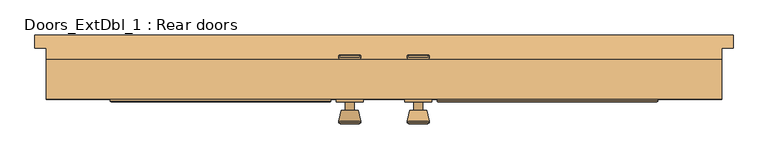
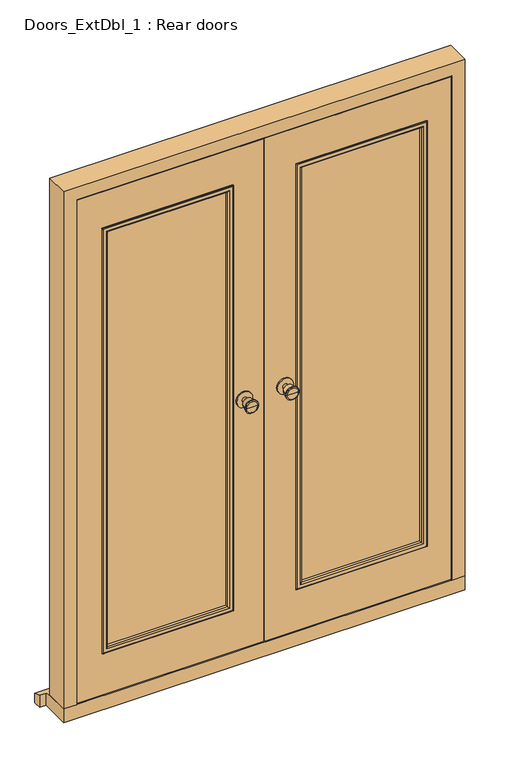
"""IFC4 building model written with IfcOpenShell, lengths in millimetres: door geometry, Doors_ExtDbl_1 : Rear doors."""

from ifc_helpers import new_model, si_unit, point, frame, frame_2d, origin, place, context, project, spatial, polyline, circle_curve, ellipse_curve, trimmed, segment, composite_curve, outline, extrude, faceted_brep, source, transform, mapped, element, save
from ifc_brep_helpers import plane_surface, cylinder_surface, revolved_surface, advanced_brep


def doors_extdbl_1_rear_doors_8c7c45d6(model_context):
    return source(origin(), model_context, "Body", "SolidModel", [
        advanced_brep(
        [(-76.5, 20.0, 1050.0), (-66.5, 20.0, 1050.0), (-86.5, 20.0, 1050.0), (-96.9758676, -29.0, 1050.0), (-56.0241324, -29.0, 1050.0), (-76.5, -29.0, 1050.0), (-101.5, -27.1721319, 1050.0), (-51.5, -27.1721319, 1050.0), (-101.5, -23.7084537, 1050.0), (-51.5, -23.7084537, 1050.0), (-95.136236, 1.0, 1050.0), (-57.863764, 1.0, 1050.0), (-86.5, 1.0, 1050.0), (-66.5, 1.0, 1050.0)],
        [
            (0, 1),
            (1, 2, circle_curve(frame((-76.5, 20.0, 1050.0), z_axis=(0.0, 1.0, 0.0), x_axis=(1.0, 0.0, 0.0)), 10.0)),
            (2, 0),
            (2, 1, circle_curve(frame((-76.5, 20.0, 1050.0), z_axis=(0.0, 1.0, 0.0), x_axis=(1.0, 0.0, 0.0)), 10.0)),
            (3, 4, circle_curve(frame((-76.5, -29.0, 1050.0), z_axis=(0.0, -1.0, 0.0), x_axis=(1.0, 0.0, 0.0)), 20.4758676)),
            (4, 5),
            (5, 3),
            (4, 3, circle_curve(frame((-76.5, -29.0, 1050.0), z_axis=(0.0, -1.0, 0.0), x_axis=(1.0, 0.0, 0.0)), 20.4758676)),
            (6, 7, circle_curve(frame((-76.5, -27.1721319, 1050.0), z_axis=(0.0, -1.0, 0.0), x_axis=(1.0, 0.0, 0.0)), 25.0)),
            (7, 4),
            (3, 6),
            (7, 6, circle_curve(frame((-76.5, -27.1721319, 1050.0), z_axis=(0.0, -1.0, 0.0), x_axis=(1.0, 0.0, 0.0)), 25.0)),
            (8, 9, circle_curve(frame((-76.5, -23.7084537, 1050.0), z_axis=(0.0, -1.0, 0.0), x_axis=(1.0, 0.0, 0.0)), 25.0)),
            (9, 7),
            (6, 8),
            (9, 8, circle_curve(frame((-76.5, -23.7084537, 1050.0), z_axis=(0.0, -1.0, 0.0), x_axis=(1.0, 0.0, 0.0)), 25.0)),
            (10, 11, circle_curve(frame((-76.5, 1.0, 1050.0), z_axis=(0.0, -1.0, 0.0), x_axis=(1.0, 0.0, 0.0)), 18.636236)),
            (11, 9),
            (8, 10),
            (11, 10, circle_curve(frame((-76.5, 1.0, 1050.0), z_axis=(0.0, -1.0, 0.0), x_axis=(1.0, 0.0, 0.0)), 18.636236)),
            (12, 13, circle_curve(frame((-76.5, 1.0, 1050.0), z_axis=(0.0, -1.0, 0.0), x_axis=(1.0, 0.0, 0.0)), 10.0)),
            (13, 11),
            (10, 12),
            (13, 12, circle_curve(frame((-76.5, 1.0, 1050.0), z_axis=(0.0, -1.0, 0.0), x_axis=(1.0, 0.0, 0.0)), 10.0)),
            (1, 13),
            (12, 2),
        ],
        [
            plane_surface(frame((-76.5, 20.0, 1050.0), z_axis=(0.0, 1.0, 0.0), x_axis=(1.0, 0.0, 0.0))),
            plane_surface(frame((-76.5, -29.0, 1050.0), z_axis=(0.0, -1.0, 0.0), x_axis=(1.0, 0.0, 0.0))),
            revolved_surface(polyline([(-56.0241324, -29.0, 1050.0), (-51.5, -27.1721319, 1050.0)]), (-76.5, 20.0, 1050.0), (0.0, 1.0, 0.0)),
            cylinder_surface(frame((-76.5, 20.0, 1050.0), z_axis=(0.0, 1.0, 0.0), x_axis=(1.0, 0.0, 0.0)), 25.0),
            revolved_surface(polyline([(-51.5, -23.7084537, 1050.0), (-57.863764, 1.0, 1050.0)]), (-76.5, 20.0, 1050.0), (0.0, 1.0, 0.0)),
            plane_surface(frame((-76.5, 1.0, 1050.0), z_axis=(0.0, 1.0, 0.0), x_axis=(1.0, 0.0, 0.0))),
            cylinder_surface(frame((-76.5, 20.0, 1050.0), z_axis=(0.0, 1.0, 0.0), x_axis=(1.0, 0.0, 0.0)), 10.0),
        ],
        [
            (0, [[1, 2, 3]]),
            (0, [[-3, 4, -1]]),
            (1, [[5, 6, 7]]),
            (1, [[8, -7, -6]]),
            (2, [[9, 10, -5, 11]]),
            (2, [[12, -11, -8, -10]]),
            (3, [[13, 14, -9, 15]]),
            (3, [[16, -15, -12, -14]]),
            (4, [[17, 18, -13, 19]]),
            (4, [[20, -19, -16, -18]]),
            (5, [[21, 22, -17, 23]]),
            (5, [[24, -23, -20, -22]]),
            (6, [[-2, 25, -21, 26]]),
            (6, [[-4, -26, -24, -25]]),
        ],
    ),
        extrude(outline(composite_curve([segment(trimmed(circle_curve(frame_2d((1050.0, -76.5)), 30.0), [point((1050.0, -46.5))], [point((1050.0, -106.5))], False, "CARTESIAN"), True, "CONTINUOUS"), segment(trimmed(circle_curve(frame_2d((1050.0, -76.5)), 30.0), [point((1050.0, -106.5))], [point((1050.0, -46.5))], False, "CARTESIAN"), True, "CONTINUOUS")], self_intersect=False)), frame((0.0, 20.0, 0.0), z_axis=(0.0, 1.0, 0.0), x_axis=(0.0, 0.0, 1.0)), (0.0, 0.0, 1.0), 6.0),
        advanced_brep(
        [(76.5, 20.0, 1050.0), (86.5, 20.0, 1050.0), (66.5, 20.0, 1050.0), (96.9758676, -29.0, 1050.0), (76.5, -29.0, 1050.0), (56.0241324, -29.0, 1050.0), (101.5, -27.1721319, 1050.0), (51.5, -27.1721319, 1050.0), (101.5, -23.7084537, 1050.0), (51.5, -23.7084537, 1050.0), (95.136236, 1.0, 1050.0), (57.863764, 1.0, 1050.0), (86.5, 1.0, 1050.0), (66.5, 1.0, 1050.0)],
        [
            (0, 1),
            (1, 2, circle_curve(frame((76.5, 20.0, 1050.0), z_axis=(0.0, 1.0, 0.0), x_axis=(-1.0, 0.0, 0.0)), 10.0)),
            (2, 0),
            (2, 1, circle_curve(frame((76.5, 20.0, 1050.0), z_axis=(0.0, 1.0, 0.0), x_axis=(-1.0, 0.0, 0.0)), 10.0)),
            (3, 4),
            (4, 5),
            (5, 3, circle_curve(frame((76.5, -29.0, 1050.0), z_axis=(0.0, -1.0, 0.0), x_axis=(-1.0, 0.0, 0.0)), 20.4758676)),
            (3, 5, circle_curve(frame((76.5, -29.0, 1050.0), z_axis=(0.0, -1.0, 0.0), x_axis=(-1.0, 0.0, 0.0)), 20.4758676)),
            (6, 3),
            (5, 7),
            (7, 6, circle_curve(frame((76.5, -27.1721319, 1050.0), z_axis=(0.0, -1.0, 0.0), x_axis=(-1.0, 0.0, 0.0)), 25.0)),
            (6, 7, circle_curve(frame((76.5, -27.1721319, 1050.0), z_axis=(0.0, -1.0, 0.0), x_axis=(-1.0, 0.0, 0.0)), 25.0)),
            (8, 6),
            (7, 9),
            (9, 8, circle_curve(frame((76.5, -23.7084537, 1050.0), z_axis=(0.0, -1.0, 0.0), x_axis=(-1.0, 0.0, 0.0)), 25.0)),
            (8, 9, circle_curve(frame((76.5, -23.7084537, 1050.0), z_axis=(0.0, -1.0, 0.0), x_axis=(-1.0, 0.0, 0.0)), 25.0)),
            (10, 8),
            (9, 11),
            (11, 10, circle_curve(frame((76.5, 1.0, 1050.0), z_axis=(0.0, -1.0, 0.0), x_axis=(-1.0, 0.0, 0.0)), 18.636236)),
            (10, 11, circle_curve(frame((76.5, 1.0, 1050.0), z_axis=(0.0, -1.0, 0.0), x_axis=(-1.0, 0.0, 0.0)), 18.636236)),
            (12, 10),
            (11, 13),
            (13, 12, circle_curve(frame((76.5, 1.0, 1050.0), z_axis=(0.0, -1.0, 0.0), x_axis=(-1.0, 0.0, 0.0)), 10.0)),
            (12, 13, circle_curve(frame((76.5, 1.0, 1050.0), z_axis=(0.0, -1.0, 0.0), x_axis=(-1.0, 0.0, 0.0)), 10.0)),
            (1, 12),
            (13, 2),
        ],
        [
            plane_surface(frame((76.5, 20.0, 1050.0), z_axis=(0.0, 1.0, 0.0), x_axis=(-1.0, 0.0, 0.0))),
            plane_surface(frame((76.5, -29.0, 1050.0), z_axis=(0.0, -1.0, 0.0), x_axis=(-1.0, 0.0, 0.0))),
            revolved_surface(polyline([(56.0241324, -29.0, 1050.0), (51.5, -27.1721319, 1050.0)]), (76.5, 20.0, 1050.0), (0.0, 1.0, 0.0)),
            cylinder_surface(frame((76.5, 20.0, 1050.0), z_axis=(0.0, 1.0, 0.0), x_axis=(-1.0, 0.0, 0.0)), 25.0),
            revolved_surface(polyline([(51.5, -23.7084537, 1050.0), (57.863764, 1.0, 1050.0)]), (76.5, 20.0, 1050.0), (0.0, 1.0, 0.0)),
            plane_surface(frame((76.5, 1.0, 1050.0), z_axis=(0.0, 1.0, 0.0), x_axis=(-1.0, 0.0, 0.0))),
            cylinder_surface(frame((76.5, 20.0, 1050.0), z_axis=(0.0, 1.0, 0.0), x_axis=(-1.0, 0.0, 0.0)), 10.0),
        ],
        [
            (0, [[1, 2, 3]]),
            (0, [[-3, 4, -1]]),
            (1, [[5, 6, 7]]),
            (1, [[-6, -5, 8]]),
            (2, [[9, -7, 10, 11]]),
            (2, [[-10, -8, -9, 12]]),
            (3, [[13, -11, 14, 15]]),
            (3, [[-14, -12, -13, 16]]),
            (4, [[17, -15, 18, 19]]),
            (4, [[-18, -16, -17, 20]]),
            (5, [[21, -19, 22, 23]]),
            (5, [[-22, -20, -21, 24]]),
            (6, [[25, -23, 26, -2]]),
            (6, [[-26, -24, -25, -4]]),
        ],
    ),
        extrude(outline(composite_curve([segment(trimmed(circle_curve(frame_2d((1050.0, 76.5)), 30.0), [point((1050.0, 46.5))], [point((1050.0, 106.5))], False, "CARTESIAN"), True, "CONTINUOUS"), segment(trimmed(circle_curve(frame_2d((1050.0, 76.5)), 30.0), [point((1050.0, 106.5))], [point((1050.0, 46.5))], False, "CARTESIAN"), True, "CONTINUOUS")], self_intersect=False)), frame((0.0, 20.0, 0.0), z_axis=(0.0, 1.0, 0.0), x_axis=(0.0, 0.0, 1.0)), (0.0, 0.0, 1.0), 6.0),
        advanced_brep(
        [(-76.5, 76.0, 1050.0), (-86.5, 76.0, 1050.0), (-66.5, 76.0, 1050.0), (-96.9758676, 125.0, 1050.0), (-76.5, 125.0, 1050.0), (-56.0241324, 125.0, 1050.0), (-101.5, 123.1721319, 1050.0), (-51.5, 123.1721319, 1050.0), (-101.5, 119.7084537, 1050.0), (-51.5, 119.7084537, 1050.0), (-95.136236, 95.0, 1050.0), (-57.863764, 95.0, 1050.0), (-86.5, 95.0, 1050.0), (-66.5, 95.0, 1050.0)],
        [
            (0, 1),
            (1, 2, circle_curve(frame((-76.5, 76.0, 1050.0), z_axis=(0.0, -1.0, 0.0), x_axis=(1.0, 0.0, 0.0)), 10.0)),
            (2, 0),
            (2, 1, circle_curve(frame((-76.5, 76.0, 1050.0), z_axis=(0.0, -1.0, 0.0), x_axis=(1.0, 0.0, 0.0)), 10.0)),
            (3, 4),
            (4, 5),
            (5, 3, circle_curve(frame((-76.5, 125.0, 1050.0), z_axis=(0.0, 1.0, 0.0), x_axis=(1.0, 0.0, 0.0)), 20.4758676)),
            (3, 5, circle_curve(frame((-76.5, 125.0, 1050.0), z_axis=(0.0, 1.0, 0.0), x_axis=(1.0, 0.0, 0.0)), 20.4758676)),
            (6, 3),
            (5, 7),
            (7, 6, circle_curve(frame((-76.5, 123.1721319, 1050.0), z_axis=(0.0, 1.0, 0.0), x_axis=(1.0, 0.0, 0.0)), 25.0)),
            (6, 7, circle_curve(frame((-76.5, 123.1721319, 1050.0), z_axis=(0.0, 1.0, 0.0), x_axis=(1.0, 0.0, 0.0)), 25.0)),
            (8, 6),
            (7, 9),
            (9, 8, circle_curve(frame((-76.5, 119.7084537, 1050.0), z_axis=(0.0, 1.0, 0.0), x_axis=(1.0, 0.0, 0.0)), 25.0)),
            (8, 9, circle_curve(frame((-76.5, 119.7084537, 1050.0), z_axis=(0.0, 1.0, 0.0), x_axis=(1.0, 0.0, 0.0)), 25.0)),
            (10, 8),
            (9, 11),
            (11, 10, circle_curve(frame((-76.5, 95.0, 1050.0), z_axis=(0.0, 1.0, 0.0), x_axis=(1.0, 0.0, 0.0)), 18.636236)),
            (10, 11, circle_curve(frame((-76.5, 95.0, 1050.0), z_axis=(0.0, 1.0, 0.0), x_axis=(1.0, 0.0, 0.0)), 18.636236)),
            (12, 10),
            (11, 13),
            (13, 12, circle_curve(frame((-76.5, 95.0, 1050.0), z_axis=(0.0, 1.0, 0.0), x_axis=(1.0, 0.0, 0.0)), 10.0)),
            (12, 13, circle_curve(frame((-76.5, 95.0, 1050.0), z_axis=(0.0, 1.0, 0.0), x_axis=(1.0, 0.0, 0.0)), 10.0)),
            (1, 12),
            (13, 2),
        ],
        [
            plane_surface(frame((-76.5, 76.0, 1050.0), z_axis=(0.0, -1.0, 0.0), x_axis=(1.0, 0.0, 0.0))),
            plane_surface(frame((-76.5, 125.0, 1050.0), z_axis=(0.0, 1.0, 0.0), x_axis=(1.0, 0.0, 0.0))),
            revolved_surface(polyline([(-56.0241324, 125.0, 1050.0), (-51.5, 123.1721319, 1050.0)]), (-76.5, 76.0, 1050.0), (0.0, -1.0, 0.0)),
            cylinder_surface(frame((-76.5, 76.0, 1050.0), z_axis=(0.0, -1.0, 0.0), x_axis=(1.0, 0.0, 0.0)), 25.0),
            revolved_surface(polyline([(-51.5, 119.7084537, 1050.0), (-57.863764, 95.0, 1050.0)]), (-76.5, 76.0, 1050.0), (0.0, -1.0, 0.0)),
            plane_surface(frame((-76.5, 95.0, 1050.0), z_axis=(0.0, -1.0, 0.0), x_axis=(1.0, 0.0, 0.0))),
            cylinder_surface(frame((-76.5, 76.0, 1050.0), z_axis=(0.0, -1.0, 0.0), x_axis=(1.0, 0.0, 0.0)), 10.0),
        ],
        [
            (0, [[1, 2, 3]]),
            (0, [[-3, 4, -1]]),
            (1, [[5, 6, 7]]),
            (1, [[-6, -5, 8]]),
            (2, [[9, -7, 10, 11]]),
            (2, [[-10, -8, -9, 12]]),
            (3, [[13, -11, 14, 15]]),
            (3, [[-14, -12, -13, 16]]),
            (4, [[17, -15, 18, 19]]),
            (4, [[-18, -16, -17, 20]]),
            (5, [[21, -19, 22, 23]]),
            (5, [[-22, -20, -21, 24]]),
            (6, [[25, -23, 26, -2]]),
            (6, [[-26, -24, -25, -4]]),
        ],
    ),
        extrude(outline(composite_curve([segment(trimmed(circle_curve(frame_2d((1050.0, -76.5)), 30.0), [point((1050.0, -46.5))], [point((1050.0, -106.5))], False, "CARTESIAN"), True, "CONTINUOUS"), segment(trimmed(circle_curve(frame_2d((1050.0, -76.5)), 30.0), [point((1050.0, -106.5))], [point((1050.0, -46.5))], False, "CARTESIAN"), True, "CONTINUOUS")], self_intersect=False)), frame((0.0, 70.0, 0.0), z_axis=(0.0, 1.0, 0.0), x_axis=(0.0, 0.0, 1.0)), (0.0, 0.0, 1.0), 6.0),
        advanced_brep(
        [(76.5, 76.0, 1050.0), (66.5, 76.0, 1050.0), (86.5, 76.0, 1050.0), (96.9758676, 125.0, 1050.0), (56.0241324, 125.0, 1050.0), (76.5, 125.0, 1050.0), (101.5, 123.1721319, 1050.0), (51.5, 123.1721319, 1050.0), (101.5, 119.7084537, 1050.0), (51.5, 119.7084537, 1050.0), (95.136236, 95.0, 1050.0), (57.863764, 95.0, 1050.0), (86.5, 95.0, 1050.0), (66.5, 95.0, 1050.0)],
        [
            (0, 1),
            (1, 2, circle_curve(frame((76.5, 76.0, 1050.0), z_axis=(0.0, -1.0, 0.0), x_axis=(-1.0, 0.0, 0.0)), 10.0)),
            (2, 0),
            (2, 1, circle_curve(frame((76.5, 76.0, 1050.0), z_axis=(0.0, -1.0, 0.0), x_axis=(-1.0, 0.0, 0.0)), 10.0)),
            (3, 4, circle_curve(frame((76.5, 125.0, 1050.0), z_axis=(0.0, 1.0, 0.0), x_axis=(-1.0, 0.0, 0.0)), 20.4758676)),
            (4, 5),
            (5, 3),
            (4, 3, circle_curve(frame((76.5, 125.0, 1050.0), z_axis=(0.0, 1.0, 0.0), x_axis=(-1.0, 0.0, 0.0)), 20.4758676)),
            (6, 7, circle_curve(frame((76.5, 123.1721319, 1050.0), z_axis=(0.0, 1.0, 0.0), x_axis=(-1.0, 0.0, 0.0)), 25.0)),
            (7, 4),
            (3, 6),
            (7, 6, circle_curve(frame((76.5, 123.1721319, 1050.0), z_axis=(0.0, 1.0, 0.0), x_axis=(-1.0, 0.0, 0.0)), 25.0)),
            (8, 9, circle_curve(frame((76.5, 119.7084537, 1050.0), z_axis=(0.0, 1.0, 0.0), x_axis=(-1.0, 0.0, 0.0)), 25.0)),
            (9, 7),
            (6, 8),
            (9, 8, circle_curve(frame((76.5, 119.7084537, 1050.0), z_axis=(0.0, 1.0, 0.0), x_axis=(-1.0, 0.0, 0.0)), 25.0)),
            (10, 11, circle_curve(frame((76.5, 95.0, 1050.0), z_axis=(0.0, 1.0, 0.0), x_axis=(-1.0, 0.0, 0.0)), 18.636236)),
            (11, 9),
            (8, 10),
            (11, 10, circle_curve(frame((76.5, 95.0, 1050.0), z_axis=(0.0, 1.0, 0.0), x_axis=(-1.0, 0.0, 0.0)), 18.636236)),
            (12, 13, circle_curve(frame((76.5, 95.0, 1050.0), z_axis=(0.0, 1.0, 0.0), x_axis=(-1.0, 0.0, 0.0)), 10.0)),
            (13, 11),
            (10, 12),
            (13, 12, circle_curve(frame((76.5, 95.0, 1050.0), z_axis=(0.0, 1.0, 0.0), x_axis=(-1.0, 0.0, 0.0)), 10.0)),
            (1, 13),
            (12, 2),
        ],
        [
            plane_surface(frame((76.5, 76.0, 1050.0), z_axis=(0.0, -1.0, 0.0), x_axis=(-1.0, 0.0, 0.0))),
            plane_surface(frame((76.5, 125.0, 1050.0), z_axis=(0.0, 1.0, 0.0), x_axis=(-1.0, 0.0, 0.0))),
            revolved_surface(polyline([(56.0241324, 125.0, 1050.0), (51.5, 123.1721319, 1050.0)]), (76.5, 76.0, 1050.0), (0.0, -1.0, 0.0)),
            cylinder_surface(frame((76.5, 76.0, 1050.0), z_axis=(0.0, -1.0, 0.0), x_axis=(-1.0, 0.0, 0.0)), 25.0),
            revolved_surface(polyline([(51.5, 119.7084537, 1050.0), (57.863764, 95.0, 1050.0)]), (76.5, 76.0, 1050.0), (0.0, -1.0, 0.0)),
            plane_surface(frame((76.5, 95.0, 1050.0), z_axis=(0.0, -1.0, 0.0), x_axis=(-1.0, 0.0, 0.0))),
            cylinder_surface(frame((76.5, 76.0, 1050.0), z_axis=(0.0, -1.0, 0.0), x_axis=(-1.0, 0.0, 0.0)), 10.0),
        ],
        [
            (0, [[1, 2, 3]]),
            (0, [[-3, 4, -1]]),
            (1, [[5, 6, 7]]),
            (1, [[8, -7, -6]]),
            (2, [[9, 10, -5, 11]]),
            (2, [[12, -11, -8, -10]]),
            (3, [[13, 14, -9, 15]]),
            (3, [[16, -15, -12, -14]]),
            (4, [[17, 18, -13, 19]]),
            (4, [[20, -19, -16, -18]]),
            (5, [[21, 22, -17, 23]]),
            (5, [[24, -23, -20, -22]]),
            (6, [[-2, 25, -21, 26]]),
            (6, [[-4, -26, -24, -25]]),
        ],
    ),
        extrude(outline(composite_curve([segment(trimmed(circle_curve(frame_2d((1050.0, 76.5)), 30.0), [point((1050.0, 46.5))], [point((1050.0, 106.5))], False, "CARTESIAN"), True, "CONTINUOUS"), segment(trimmed(circle_curve(frame_2d((1050.0, 76.5)), 30.0), [point((1050.0, 106.5))], [point((1050.0, 46.5))], False, "CARTESIAN"), True, "CONTINUOUS")], self_intersect=False)), frame((0.0, 70.0, 0.0), z_axis=(0.0, 1.0, 0.0), x_axis=(0.0, 0.0, 1.0)), (0.0, 0.0, 1.0), 6.0),
        faceted_brep([(684.5, 115.0, 54.5), (755.0, 115.0, 54.5), (755.0, 26.0, 54.5), (706.5, 26.0, 54.5), (706.5, 73.0, 54.5), (684.5, 73.0, 54.5), (684.5, 115.0, 2039.5), (-684.5, 115.0, 2039.5), (-684.5, 115.0, 54.5), (-755.0, 115.0, 54.5), (-755.0, 115.0, 2110.0), (755.0, 115.0, 2110.0), (755.0, 26.0, 2110.0), (-755.0, 26.0, 2110.0), (-755.0, 26.0, 54.5), (-706.5, 26.0, 54.5), (-706.5, 26.0, 2061.5), (706.5, 26.0, 2061.5), (706.5, 73.0, 2061.5), (-706.5, 73.0, 2061.5), (-706.5, 73.0, 54.5), (-684.5, 73.0, 54.5), (-684.5, 73.0, 2039.5), (684.5, 73.0, 2039.5)], [[[0, 1, 2, 3, 4, 5]], [[1, 0, 6, 7, 8, 9, 10, 11]], [[2, 1, 11, 12]], [[3, 2, 12, 13, 14, 15, 16, 17]], [[4, 3, 17, 18]], [[5, 4, 18, 19, 20, 21, 22, 23]], [[0, 5, 23, 6]], [[7, 22, 21, 8]], [[8, 21, 20, 15, 14, 9]], [[13, 10, 9, 14]], [[19, 16, 15, 20]], [[12, 11, 10, 13]], [[18, 17, 16, 19]], [[6, 23, 22, 7]]]),
        extrude(outline(polyline([(126.5, 60.0), (601.9390207, 60.0), (601.9390207, 36.0), (126.5, 36.0), (126.5, 60.0)])), frame((0.0, 0.0, 233.5), z_axis=(0.0, 0.0, 1.0), x_axis=(1.0, 0.0, 0.0)), (0.0, 0.0, 1.0), 1675.0),
        extrude(outline(polyline([(-603.5, 60.0), (-126.5, 60.0), (-126.5, 36.0), (-603.5, 36.0), (-603.5, 60.0)])), frame((0.0, 0.0, 233.5), z_axis=(0.0, 0.0, 1.0), x_axis=(1.0, 0.0, 0.0)), (0.0, 0.0, 1.0), 1675.0),
        faceted_brep([(780.0, 170.0, 0.0), (780.0, 170.0, 38.5947221), (780.0, 140.0, 47.2703282), (780.0, 140.0, 0.0), (-780.0, 170.0, 38.5947221), (-780.0, 170.0, 0.0), (-780.0, 140.0, 0.0), (-780.0, 140.0, 47.2703282), (755.0, 140.0, 0.0), (755.0, 26.0, 0.0), (-755.0, 26.0, 0.0), (-755.0, 140.0, 0.0), (-755.0, 140.0, 47.2703282), (-755.0, 115.0, 54.5), (755.0, 115.0, 54.5), (755.0, 140.0, 47.2703282), (-755.0, 26.0, 54.5), (755.0, 26.0, 54.5)], [[[0, 1, 2, 3]], [[4, 5, 6, 7]], [[5, 0, 3, 8, 9, 10, 11, 6]], [[1, 0, 5, 4]], [[1, 4, 7, 12, 13, 14, 15, 2]], [[13, 16, 17, 14]], [[16, 10, 9, 17]], [[12, 11, 10, 16, 13]], [[11, 12, 7, 6]], [[8, 15, 14, 17, 9]], [[15, 8, 3, 2]]]),
        extrude(outline(polyline([(58.5, 703.5), (2058.5, 703.5), (2058.5, 1.5), (58.5, 1.5), (58.5, 703.5)]), holes=[polyline([(1908.5, 603.5), (233.5, 603.5), (233.5, 126.5), (1908.5, 126.5), (1908.5, 603.5)])]), frame((0.0, 26.0, 0.0), z_axis=(0.0, 1.0, 0.0), x_axis=(0.0, 0.0, 1.0)), (0.0, 0.0, 1.0), 44.0),
        extrude(outline(polyline([(58.5, -703.5), (58.5, -1.5), (2058.5, -1.5), (2058.5, -703.5), (58.5, -703.5)]), holes=[polyline([(1908.5, -126.5), (233.5, -126.5), (233.5, -603.5), (1908.5, -603.5), (1908.5, -126.5)])]), frame((0.0, 26.0, 0.0), z_axis=(0.0, 1.0, 0.0), x_axis=(0.0, 0.0, 1.0)), (0.0, 0.0, 1.0), 44.0),
        advanced_brep(
        [(126.5, 36.0, 233.5), (126.5, 26.0, 233.5), (126.5, 26.0, 1908.5), (126.5, 36.0, 1908.5), (138.5, 25.0, 245.5), (138.5, 36.0, 245.5), (138.5, 36.0, 1896.5), (138.5, 25.0, 1896.5), (133.5, 20.0, 240.5), (133.5, 20.0, 1901.5), (118.5, 22.0, 225.5), (120.5, 20.0, 227.5), (120.5, 20.0, 1914.5), (118.5, 22.0, 1916.5), (118.5, 26.0, 225.5), (118.5, 26.0, 1916.5), (603.5, 26.0, 1908.5), (603.5, 36.0, 1908.5), (591.5, 36.0, 1896.5), (591.5, 25.0, 1896.5), (596.5, 20.0, 1901.5), (609.5, 20.0, 1914.5), (611.5, 22.0, 1916.5), (611.5, 26.0, 1916.5), (603.5, 26.0, 233.5), (603.5, 36.0, 233.5), (591.5, 36.0, 245.5), (591.5, 25.0, 245.5), (596.5, 20.0, 240.5), (609.5, 20.0, 227.5), (611.5, 22.0, 225.5), (611.5, 26.0, 225.5)],
        [
            (0, 1),
            (1, 2),
            (2, 3),
            (3, 0),
            (4, 5),
            (5, 6),
            (6, 7),
            (7, 4),
            (8, 4, ellipse_curve(frame((133.5, 25.0, 240.5), z_axis=(-0.7071067811865478, 0.0, 0.7071067811865472), x_axis=(-0.7071067811865471, 0.0, -0.7071067811865478)), 7.0710678, 5.0)),
            (7, 9, ellipse_curve(frame((133.5, 25.0, 1901.5), z_axis=(-0.7071067811865472, 0.0, -0.7071067811865477), x_axis=(0.7071067811865476, 0.0, -0.7071067811865475)), 7.0710678, 5.0)),
            (9, 8),
            (10, 11, ellipse_curve(frame((120.5, 22.0, 227.5), z_axis=(-0.7071067811865478, 0.0, 0.7071067811865472), x_axis=(-0.7071067811865471, 0.0, -0.7071067811865478)), 2.8284271, 2.0)),
            (11, 12),
            (12, 13, ellipse_curve(frame((120.5, 22.0, 1914.5), z_axis=(-0.7071067811865472, 0.0, -0.7071067811865477), x_axis=(0.7071067811865476, 0.0, -0.7071067811865475)), 2.8284271, 2.0)),
            (13, 10),
            (14, 10),
            (13, 15),
            (15, 14),
            (2, 16),
            (16, 17),
            (17, 3),
            (6, 18),
            (18, 19),
            (19, 7),
            (19, 20, ellipse_curve(frame((596.5, 25.0, 1901.5), z_axis=(-0.7071067811865478, 0.0, 0.7071067811865474), x_axis=(-0.7071067811865471, 0.0, -0.7071067811865479)), 7.0710678, 5.0)),
            (20, 9),
            (12, 21),
            (21, 22, ellipse_curve(frame((609.5, 22.0, 1914.5), z_axis=(-0.7071067811865478, 0.0, 0.7071067811865474), x_axis=(-0.7071067811865471, 0.0, -0.7071067811865479)), 2.8284271, 2.0)),
            (22, 13),
            (22, 23),
            (23, 15),
            (16, 24),
            (24, 25),
            (25, 17),
            (18, 26),
            (26, 27),
            (27, 19),
            (27, 28, ellipse_curve(frame((596.5, 25.0, 240.5), z_axis=(0.7071067811865472, 0.0, 0.7071067811865477), x_axis=(-0.7071067811865476, 0.0, 0.7071067811865475)), 7.0710678, 5.0)),
            (28, 20),
            (21, 29),
            (29, 30, ellipse_curve(frame((609.5, 22.0, 227.5), z_axis=(0.7071067811865472, 0.0, 0.7071067811865477), x_axis=(-0.7071067811865476, 0.0, 0.7071067811865475)), 2.8284271, 2.0)),
            (30, 22),
            (30, 31),
            (31, 23),
            (31, 14),
            (1, 24),
            (0, 25),
            (5, 26),
            (4, 27),
            (8, 28),
            (11, 29),
            (10, 30),
        ],
        [
            plane_surface(frame((126.5, 26.0, 233.5), z_axis=(-1.0, 0.0, 0.0), x_axis=(0.0, 0.0, 1.0))),
            plane_surface(frame((138.5, 36.0, 245.5), z_axis=(1.0, 0.0, 0.0), x_axis=(0.0, 0.0, 1.0))),
            cylinder_surface(frame((133.5, 25.0, 233.5), z_axis=(0.0, 0.0, -1.0), x_axis=(-1.0, 0.0, 0.0)), 5.0),
            cylinder_surface(frame((120.5, 22.0, 233.5), z_axis=(0.0, 0.0, -1.0), x_axis=(-1.0, 0.0, 0.0)), 2.0),
            plane_surface(frame((118.5, 22.0, 225.5), z_axis=(-1.0, 0.0, 0.0), x_axis=(0.0, 0.0, 1.0))),
            plane_surface(frame((126.5, 26.0, 1908.5), z_axis=(0.0, 0.0, 1.0), x_axis=(1.0, 0.0, 0.0))),
            plane_surface(frame((138.5, 36.0, 1896.5), z_axis=(0.0, 0.0, -1.0), x_axis=(1.0, 0.0, 0.0))),
            cylinder_surface(frame((126.5, 25.0, 1901.5), z_axis=(-1.0, 0.0, 0.0), x_axis=(0.0, 0.0, 1.0)), 5.0),
            cylinder_surface(frame((126.5, 22.0, 1914.5), z_axis=(-1.0, 0.0, 0.0), x_axis=(0.0, 0.0, 1.0)), 2.0),
            plane_surface(frame((118.5, 22.0, 1916.5), z_axis=(0.0, 0.0, 1.0), x_axis=(1.0, 0.0, 0.0))),
            plane_surface(frame((603.5, 26.0, 1908.5), z_axis=(1.0, 0.0, 0.0), x_axis=(0.0, 0.0, -1.0))),
            plane_surface(frame((591.5, 36.0, 1896.5), z_axis=(-1.0, 0.0, 0.0), x_axis=(0.0, 0.0, -1.0))),
            cylinder_surface(frame((596.5, 25.0, 1908.5), z_axis=(0.0, 0.0, 1.0), x_axis=(1.0, 0.0, 0.0)), 5.0),
            cylinder_surface(frame((609.5, 22.0, 1908.5), z_axis=(0.0, 0.0, 1.0), x_axis=(1.0, 0.0, 0.0)), 2.0),
            plane_surface(frame((611.5, 22.0, 1916.5), z_axis=(1.0, 0.0, 0.0), x_axis=(0.0, 0.0, -1.0))),
            plane_surface(frame((611.5, 26.0, 225.5), z_axis=(0.0, 1.0, 0.0), x_axis=(-1.0, 0.0, 0.0))),
            plane_surface(frame((603.5, 26.0, 233.5), z_axis=(0.0, 0.0, -1.0), x_axis=(-1.0, 0.0, 0.0))),
            plane_surface(frame((603.5, 36.0, 233.5), z_axis=(0.0, 1.0, 0.0), x_axis=(-1.0, 0.0, 0.0))),
            plane_surface(frame((591.5, 36.0, 245.5), z_axis=(0.0, 0.0, 1.0), x_axis=(-1.0, 0.0, 0.0))),
            cylinder_surface(frame((603.5, 25.0, 240.5), z_axis=(1.0, 0.0, 0.0), x_axis=(0.0, 0.0, -1.0)), 5.0),
            plane_surface(frame((596.5, 20.0, 240.5), z_axis=(0.0, -1.0, 0.0), x_axis=(-1.0, 0.0, 0.0))),
            cylinder_surface(frame((603.5, 22.0, 227.5), z_axis=(1.0, 0.0, 0.0), x_axis=(0.0, 0.0, -1.0)), 2.0),
            plane_surface(frame((611.5, 22.0, 225.5), z_axis=(0.0, 0.0, -1.0), x_axis=(-1.0, 0.0, 0.0))),
        ],
        [
            (0, [[1, 2, 3, 4]]),
            (1, [[5, 6, 7, 8]]),
            (2, [[9, -8, 10, 11]]),
            (3, [[12, 13, 14, 15]]),
            (4, [[16, -15, 17, 18]]),
            (5, [[-3, 19, 20, 21]]),
            (6, [[-7, 22, 23, 24]]),
            (7, [[-10, -24, 25, 26]]),
            (8, [[-14, 27, 28, 29]]),
            (9, [[-17, -29, 30, 31]]),
            (10, [[-20, 32, 33, 34]]),
            (11, [[-23, 35, 36, 37]]),
            (12, [[-25, -37, 38, 39]]),
            (13, [[-28, 40, 41, 42]]),
            (14, [[-30, -42, 43, 44]]),
            (15, [[-31, -44, 45, -18], [46, -32, -19, -2]]),
            (16, [[-33, -46, -1, 47]]),
            (17, [[-21, -34, -47, -4], [48, -35, -22, -6]]),
            (18, [[-36, -48, -5, 49]]),
            (19, [[-38, -49, -9, 50]]),
            (20, [[51, -40, -27, -13], [-26, -39, -50, -11]]),
            (21, [[-41, -51, -12, 52]]),
            (22, [[-43, -52, -16, -45]]),
        ],
    ),
        advanced_brep(
        [(-118.5, 22.0, 225.5), (-118.5, 26.0, 225.5), (-118.5, 26.0, 1916.5), (-118.5, 22.0, 1916.5), (-120.5, 20.0, 227.5), (-120.5, 20.0, 1914.5), (-138.5, 25.0, 245.5), (-133.5, 20.0, 240.5), (-133.5, 20.0, 1901.5), (-138.5, 25.0, 1896.5), (-138.5, 36.0, 245.5), (-138.5, 36.0, 1896.5), (-126.5, 26.0, 233.5), (-126.5, 36.0, 233.5), (-126.5, 36.0, 1908.5), (-126.5, 26.0, 1908.5), (-611.5, 26.0, 1916.5), (-611.5, 22.0, 1916.5), (-609.5, 20.0, 1914.5), (-596.5, 20.0, 1901.5), (-591.5, 25.0, 1896.5), (-591.5, 36.0, 1896.5), (-603.5, 36.0, 1908.5), (-603.5, 26.0, 1908.5), (-611.5, 26.0, 225.5), (-611.5, 22.0, 225.5), (-609.5, 20.0, 227.5), (-596.5, 20.0, 240.5), (-591.5, 25.0, 245.5), (-591.5, 36.0, 245.5), (-603.5, 36.0, 233.5), (-603.5, 26.0, 233.5)],
        [
            (0, 1),
            (1, 2),
            (2, 3),
            (3, 0),
            (4, 0, ellipse_curve(frame((-120.5, 22.0, 227.5), z_axis=(0.7071067811865475, 0.0, 0.7071067811865475), x_axis=(0.7071067811865474, 0.0, -0.7071067811865476)), 2.8284271, 2.0)),
            (3, 5, ellipse_curve(frame((-120.5, 22.0, 1914.5), z_axis=(0.7071067811865475, 0.0, -0.7071067811865475), x_axis=(-0.7071067811865474, 0.0, -0.7071067811865476)), 2.8284271, 2.0)),
            (5, 4),
            (6, 7, ellipse_curve(frame((-133.5, 25.0, 240.5), z_axis=(0.7071067811865475, 0.0, 0.7071067811865475), x_axis=(0.7071067811865474, 0.0, -0.7071067811865476)), 7.0710678, 5.0)),
            (7, 8),
            (8, 9, ellipse_curve(frame((-133.5, 25.0, 1901.5), z_axis=(0.7071067811865475, 0.0, -0.7071067811865475), x_axis=(-0.7071067811865474, 0.0, -0.7071067811865476)), 7.0710678, 5.0)),
            (9, 6),
            (10, 6),
            (9, 11),
            (11, 10),
            (12, 13),
            (13, 14),
            (14, 15),
            (15, 12),
            (2, 16),
            (16, 17),
            (17, 3),
            (17, 18, ellipse_curve(frame((-609.5, 22.0, 1914.5), z_axis=(0.7071067811865475, 0.0, 0.7071067811865475), x_axis=(0.7071067811865476, 0.0, -0.7071067811865474)), 2.8284271, 2.0)),
            (18, 5),
            (8, 19),
            (19, 20, ellipse_curve(frame((-596.5, 25.0, 1901.5), z_axis=(0.7071067811865475, 0.0, 0.7071067811865475), x_axis=(0.7071067811865476, 0.0, -0.7071067811865474)), 7.0710678, 5.0)),
            (20, 9),
            (20, 21),
            (21, 11),
            (14, 22),
            (22, 23),
            (23, 15),
            (16, 24),
            (24, 25),
            (25, 17),
            (25, 26, ellipse_curve(frame((-609.5, 22.0, 227.5), z_axis=(-0.7071067811865475, 0.0, 0.7071067811865475), x_axis=(0.7071067811865474, 0.0, 0.7071067811865476)), 2.8284271, 2.0)),
            (26, 18),
            (19, 27),
            (27, 28, ellipse_curve(frame((-596.5, 25.0, 240.5), z_axis=(-0.7071067811865475, 0.0, 0.7071067811865475), x_axis=(0.7071067811865474, 0.0, 0.7071067811865476)), 7.0710678, 5.0)),
            (28, 20),
            (28, 29),
            (29, 21),
            (22, 30),
            (30, 31),
            (31, 23),
            (24, 1),
            (0, 25),
            (4, 26),
            (7, 27),
            (6, 28),
            (10, 29),
            (13, 30),
            (12, 31),
        ],
        [
            plane_surface(frame((-118.5, 26.0, 225.5), z_axis=(1.0, 0.0, 0.0), x_axis=(0.0, 0.0, 1.0))),
            cylinder_surface(frame((-120.5, 22.0, 233.5), z_axis=(0.0, 0.0, -1.0), x_axis=(1.0, 0.0, 0.0)), 2.0),
            cylinder_surface(frame((-133.5, 25.0, 233.5), z_axis=(0.0, 0.0, -1.0), x_axis=(1.0, 0.0, 0.0)), 5.0),
            plane_surface(frame((-138.5, 25.0, 245.5), z_axis=(-1.0, 0.0, 0.0), x_axis=(0.0, 0.0, 1.0))),
            plane_surface(frame((-126.5, 36.0, 233.5), z_axis=(1.0, 0.0, 0.0), x_axis=(0.0, 0.0, 1.0))),
            plane_surface(frame((-118.5, 26.0, 1916.5), z_axis=(0.0, 0.0, 1.0), x_axis=(-1.0, 0.0, 0.0))),
            cylinder_surface(frame((-126.5, 22.0, 1914.5), z_axis=(1.0, 0.0, 0.0), x_axis=(0.0, 0.0, 1.0)), 2.0),
            cylinder_surface(frame((-126.5, 25.0, 1901.5), z_axis=(1.0, 0.0, 0.0), x_axis=(0.0, 0.0, 1.0)), 5.0),
            plane_surface(frame((-138.5, 25.0, 1896.5), z_axis=(0.0, 0.0, -1.0), x_axis=(-1.0, 0.0, 0.0))),
            plane_surface(frame((-126.5, 36.0, 1908.5), z_axis=(0.0, 0.0, 1.0), x_axis=(-1.0, 0.0, 0.0))),
            plane_surface(frame((-611.5, 26.0, 1916.5), z_axis=(-1.0, 0.0, 0.0), x_axis=(0.0, 0.0, -1.0))),
            cylinder_surface(frame((-609.5, 22.0, 1908.5), z_axis=(0.0, 0.0, 1.0), x_axis=(-1.0, 0.0, 0.0)), 2.0),
            cylinder_surface(frame((-596.5, 25.0, 1908.5), z_axis=(0.0, 0.0, 1.0), x_axis=(-1.0, 0.0, 0.0)), 5.0),
            plane_surface(frame((-591.5, 25.0, 1896.5), z_axis=(1.0, 0.0, 0.0), x_axis=(0.0, 0.0, -1.0))),
            plane_surface(frame((-603.5, 36.0, 1908.5), z_axis=(-1.0, 0.0, 0.0), x_axis=(0.0, 0.0, -1.0))),
            plane_surface(frame((-611.5, 26.0, 225.5), z_axis=(0.0, 0.0, -1.0), x_axis=(1.0, 0.0, 0.0))),
            cylinder_surface(frame((-603.5, 22.0, 227.5), z_axis=(-1.0, 0.0, 0.0), x_axis=(0.0, 0.0, -1.0)), 2.0),
            plane_surface(frame((-609.5, 20.0, 227.5), z_axis=(0.0, -1.0, 0.0), x_axis=(1.0, 0.0, 0.0))),
            cylinder_surface(frame((-603.5, 25.0, 240.5), z_axis=(-1.0, 0.0, 0.0), x_axis=(0.0, 0.0, -1.0)), 5.0),
            plane_surface(frame((-591.5, 25.0, 245.5), z_axis=(0.0, 0.0, 1.0), x_axis=(1.0, 0.0, 0.0))),
            plane_surface(frame((-591.5, 36.0, 245.5), z_axis=(0.0, 1.0, 0.0), x_axis=(1.0, 0.0, 0.0))),
            plane_surface(frame((-603.5, 36.0, 233.5), z_axis=(0.0, 0.0, -1.0), x_axis=(1.0, 0.0, 0.0))),
            plane_surface(frame((-603.5, 26.0, 233.5), z_axis=(0.0, 1.0, 0.0), x_axis=(1.0, 0.0, 0.0))),
        ],
        [
            (0, [[1, 2, 3, 4]]),
            (1, [[5, -4, 6, 7]]),
            (2, [[8, 9, 10, 11]]),
            (3, [[12, -11, 13, 14]]),
            (4, [[15, 16, 17, 18]]),
            (5, [[-3, 19, 20, 21]]),
            (6, [[-6, -21, 22, 23]]),
            (7, [[-10, 24, 25, 26]]),
            (8, [[-13, -26, 27, 28]]),
            (9, [[-17, 29, 30, 31]]),
            (10, [[-20, 32, 33, 34]]),
            (11, [[-22, -34, 35, 36]]),
            (12, [[-25, 37, 38, 39]]),
            (13, [[-27, -39, 40, 41]]),
            (14, [[-30, 42, 43, 44]]),
            (15, [[-33, 45, -1, 46]]),
            (16, [[-35, -46, -5, 47]]),
            (17, [[-23, -36, -47, -7], [48, -37, -24, -9]]),
            (18, [[-38, -48, -8, 49]]),
            (19, [[-40, -49, -12, 50]]),
            (20, [[51, -42, -29, -16], [-28, -41, -50, -14]]),
            (21, [[-43, -51, -15, 52]]),
            (22, [[-45, -32, -19, -2], [-31, -44, -52, -18]]),
        ],
    ),
        advanced_brep(
        [(-611.5, 74.0, 225.5), (-611.5, 70.0, 225.5), (-611.5, 70.0, 1916.5), (-611.5, 74.0, 1916.5), (-609.5, 76.0, 227.5), (-609.5, 76.0, 1914.5), (-591.5, 71.0, 245.5), (-596.5, 76.0, 240.5), (-596.5, 76.0, 1901.5), (-591.5, 71.0, 1896.5), (-591.5, 60.0, 245.5), (-591.5, 60.0, 1896.5), (-603.5, 70.0, 233.5), (-603.5, 60.0, 233.5), (-603.5, 60.0, 1908.5), (-603.5, 70.0, 1908.5), (-118.5, 70.0, 1916.5), (-118.5, 74.0, 1916.5), (-120.5, 76.0, 1914.5), (-133.5, 76.0, 1901.5), (-138.5, 71.0, 1896.5), (-138.5, 60.0, 1896.5), (-126.5, 60.0, 1908.5), (-126.5, 70.0, 1908.5), (-118.5, 70.0, 225.5), (-118.5, 74.0, 225.5), (-120.5, 76.0, 227.5), (-133.5, 76.0, 240.5), (-138.5, 71.0, 245.5), (-138.5, 60.0, 245.5), (-126.5, 60.0, 233.5), (-126.5, 70.0, 233.5)],
        [
            (0, 1),
            (1, 2),
            (2, 3),
            (3, 0),
            (4, 0, ellipse_curve(frame((-609.5, 74.0, 227.5), z_axis=(-0.7071067811865475, 0.0, 0.7071067811865476), x_axis=(-0.7071067811865475, 0.0, -0.7071067811865476)), 2.8284271, 2.0)),
            (3, 5, ellipse_curve(frame((-609.5, 74.0, 1914.5), z_axis=(-0.7071067811865475, 0.0, -0.7071067811865475), x_axis=(0.7071067811865475, 0.0, -0.7071067811865476)), 2.8284271, 2.0)),
            (5, 4),
            (6, 7, ellipse_curve(frame((-596.5, 71.0, 240.5), z_axis=(-0.7071067811865475, 0.0, 0.7071067811865476), x_axis=(-0.7071067811865475, 0.0, -0.7071067811865476)), 7.0710678, 5.0)),
            (7, 8),
            (8, 9, ellipse_curve(frame((-596.5, 71.0, 1901.5), z_axis=(-0.7071067811865475, 0.0, -0.7071067811865475), x_axis=(0.7071067811865475, 0.0, -0.7071067811865476)), 7.0710678, 5.0)),
            (9, 6),
            (10, 6),
            (9, 11),
            (11, 10),
            (12, 13),
            (13, 14),
            (14, 15),
            (15, 12),
            (2, 16),
            (16, 17),
            (17, 3),
            (17, 18, ellipse_curve(frame((-120.5, 74.0, 1914.5), z_axis=(-0.7071067811865475, 0.0, 0.7071067811865475), x_axis=(-0.7071067811865478, 0.0, -0.7071067811865474)), 2.8284271, 2.0)),
            (18, 5),
            (8, 19),
            (19, 20, ellipse_curve(frame((-133.5, 71.0, 1901.5), z_axis=(-0.7071067811865475, 0.0, 0.7071067811865475), x_axis=(-0.7071067811865478, 0.0, -0.7071067811865474)), 7.0710678, 5.0)),
            (20, 9),
            (20, 21),
            (21, 11),
            (14, 22),
            (22, 23),
            (23, 15),
            (16, 24),
            (24, 25),
            (25, 17),
            (25, 26, ellipse_curve(frame((-120.5, 74.0, 227.5), z_axis=(0.7071067811865476, 0.0, 0.7071067811865475), x_axis=(-0.7071067811865475, 0.0, 0.7071067811865476)), 2.8284271, 2.0)),
            (26, 18),
            (19, 27),
            (27, 28, ellipse_curve(frame((-133.5, 71.0, 240.5), z_axis=(0.7071067811865476, 0.0, 0.7071067811865475), x_axis=(-0.7071067811865475, 0.0, 0.7071067811865476)), 7.0710678, 5.0)),
            (28, 20),
            (28, 29),
            (29, 21),
            (22, 30),
            (30, 31),
            (31, 23),
            (24, 1),
            (0, 25),
            (4, 26),
            (7, 27),
            (6, 28),
            (10, 29),
            (13, 30),
            (12, 31),
        ],
        [
            plane_surface(frame((-611.5, 70.0, 225.5), z_axis=(-1.0, 0.0, 0.0), x_axis=(0.0, 0.0, 1.0))),
            cylinder_surface(frame((-609.5, 74.0, 233.5), z_axis=(0.0, 0.0, -1.0), x_axis=(-1.0, 0.0, 0.0)), 2.0),
            cylinder_surface(frame((-596.5, 71.0, 233.5), z_axis=(0.0, 0.0, -1.0), x_axis=(-1.0, 0.0, 0.0)), 5.0),
            plane_surface(frame((-591.5, 71.0, 245.5), z_axis=(1.0, 0.0, 0.0), x_axis=(0.0, 0.0, 1.0))),
            plane_surface(frame((-603.5, 60.0, 233.5), z_axis=(-1.0, 0.0, 0.0), x_axis=(0.0, 0.0, 1.0))),
            plane_surface(frame((-611.5, 70.0, 1916.5), z_axis=(0.0, 0.0, 1.0), x_axis=(1.0, 0.0, 0.0))),
            cylinder_surface(frame((-603.5, 74.0, 1914.5), z_axis=(-1.0, 0.0, 0.0), x_axis=(0.0, 0.0, 1.0)), 2.0),
            cylinder_surface(frame((-603.5, 71.0, 1901.5), z_axis=(-1.0, 0.0, 0.0), x_axis=(0.0, 0.0, 1.0)), 5.0),
            plane_surface(frame((-591.5, 71.0, 1896.5), z_axis=(0.0, 0.0, -1.0), x_axis=(1.0, 0.0, 0.0))),
            plane_surface(frame((-603.5, 60.0, 1908.5), z_axis=(0.0, 0.0, 1.0), x_axis=(1.0, 0.0, 0.0))),
            plane_surface(frame((-118.5, 70.0, 1916.5), z_axis=(1.0, 0.0, 0.0), x_axis=(0.0, 0.0, -1.0))),
            cylinder_surface(frame((-120.5, 74.0, 1908.5), z_axis=(0.0, 0.0, 1.0), x_axis=(1.0, 0.0, 0.0)), 2.0),
            cylinder_surface(frame((-133.5, 71.0, 1908.5), z_axis=(0.0, 0.0, 1.0), x_axis=(1.0, 0.0, 0.0)), 5.0),
            plane_surface(frame((-138.5, 71.0, 1896.5), z_axis=(-1.0, 0.0, 0.0), x_axis=(0.0, 0.0, -1.0))),
            plane_surface(frame((-126.5, 60.0, 1908.5), z_axis=(1.0, 0.0, 0.0), x_axis=(0.0, 0.0, -1.0))),
            plane_surface(frame((-118.5, 70.0, 225.5), z_axis=(0.0, 0.0, -1.0), x_axis=(-1.0, 0.0, 0.0))),
            cylinder_surface(frame((-126.5, 74.0, 227.5), z_axis=(1.0, 0.0, 0.0), x_axis=(0.0, 0.0, -1.0)), 2.0),
            plane_surface(frame((-120.5, 76.0, 227.5), z_axis=(0.0, 1.0, 0.0), x_axis=(-1.0, 0.0, 0.0))),
            cylinder_surface(frame((-126.5, 71.0, 240.5), z_axis=(1.0, 0.0, 0.0), x_axis=(0.0, 0.0, -1.0)), 5.0),
            plane_surface(frame((-138.5, 71.0, 245.5), z_axis=(0.0, 0.0, 1.0), x_axis=(-1.0, 0.0, 0.0))),
            plane_surface(frame((-138.5, 60.0, 245.5), z_axis=(0.0, -1.0, 0.0), x_axis=(-1.0, 0.0, 0.0))),
            plane_surface(frame((-126.5, 60.0, 233.5), z_axis=(0.0, 0.0, -1.0), x_axis=(-1.0, 0.0, 0.0))),
            plane_surface(frame((-126.5, 70.0, 233.5), z_axis=(0.0, -1.0, 0.0), x_axis=(-1.0, 0.0, 0.0))),
        ],
        [
            (0, [[1, 2, 3, 4]]),
            (1, [[5, -4, 6, 7]]),
            (2, [[8, 9, 10, 11]]),
            (3, [[12, -11, 13, 14]]),
            (4, [[15, 16, 17, 18]]),
            (5, [[-3, 19, 20, 21]]),
            (6, [[-6, -21, 22, 23]]),
            (7, [[-10, 24, 25, 26]]),
            (8, [[-13, -26, 27, 28]]),
            (9, [[-17, 29, 30, 31]]),
            (10, [[-20, 32, 33, 34]]),
            (11, [[-22, -34, 35, 36]]),
            (12, [[-25, 37, 38, 39]]),
            (13, [[-27, -39, 40, 41]]),
            (14, [[-30, 42, 43, 44]]),
            (15, [[-33, 45, -1, 46]]),
            (16, [[-35, -46, -5, 47]]),
            (17, [[-23, -36, -47, -7], [48, -37, -24, -9]]),
            (18, [[-38, -48, -8, 49]]),
            (19, [[-40, -49, -12, 50]]),
            (20, [[51, -42, -29, -16], [-28, -41, -50, -14]]),
            (21, [[-43, -51, -15, 52]]),
            (22, [[-45, -32, -19, -2], [-31, -44, -52, -18]]),
        ],
    ),
        advanced_brep(
        [(118.5, 74.0, 225.5), (118.5, 70.0, 225.5), (118.5, 70.0, 1916.5), (118.5, 74.0, 1916.5), (120.5, 76.0, 227.5), (120.5, 76.0, 1914.5), (138.5, 71.0, 245.5), (133.5, 76.0, 240.5), (133.5, 76.0, 1901.5), (138.5, 71.0, 1896.5), (138.5, 60.0, 245.5), (138.5, 60.0, 1896.5), (126.5, 70.0, 233.5), (126.5, 60.0, 233.5), (126.5, 60.0, 1908.5), (126.5, 70.0, 1908.5), (611.5, 70.0, 1916.5), (611.5, 74.0, 1916.5), (609.5, 76.0, 1914.5), (596.5, 76.0, 1901.5), (591.5, 71.0, 1896.5), (591.5, 60.0, 1896.5), (603.5, 60.0, 1908.5), (603.5, 70.0, 1908.5), (611.5, 70.0, 225.5), (611.5, 74.0, 225.5), (609.5, 76.0, 227.5), (596.5, 76.0, 240.5), (591.5, 71.0, 245.5), (591.5, 60.0, 245.5), (603.5, 60.0, 233.5), (603.5, 70.0, 233.5)],
        [
            (0, 1),
            (1, 2),
            (2, 3),
            (3, 0),
            (4, 0, ellipse_curve(frame((120.5, 74.0, 227.5), z_axis=(-0.7071067811865476, 0.0, 0.7071067811865475), x_axis=(-0.7071067811865475, 0.0, -0.7071067811865476)), 2.8284271, 2.0)),
            (3, 5, ellipse_curve(frame((120.5, 74.0, 1914.5), z_axis=(-0.7071067811865475, 0.0, -0.7071067811865476), x_axis=(0.7071067811865475, 0.0, -0.7071067811865475)), 2.8284271, 2.0)),
            (5, 4),
            (6, 7, ellipse_curve(frame((133.5, 71.0, 240.5), z_axis=(-0.7071067811865476, 0.0, 0.7071067811865475), x_axis=(-0.7071067811865475, 0.0, -0.7071067811865476)), 7.0710678, 5.0)),
            (7, 8),
            (8, 9, ellipse_curve(frame((133.5, 71.0, 1901.5), z_axis=(-0.7071067811865475, 0.0, -0.7071067811865476), x_axis=(0.7071067811865475, 0.0, -0.7071067811865475)), 7.0710678, 5.0)),
            (9, 6),
            (10, 6),
            (9, 11),
            (11, 10),
            (12, 13),
            (13, 14),
            (14, 15),
            (15, 12),
            (2, 16),
            (16, 17),
            (17, 3),
            (17, 18, ellipse_curve(frame((609.5, 74.0, 1914.5), z_axis=(-0.7071067811865475, 0.0, 0.7071067811865475), x_axis=(-0.7071067811865477, 0.0, -0.7071067811865472)), 2.8284271, 2.0)),
            (18, 5),
            (8, 19),
            (19, 20, ellipse_curve(frame((596.5, 71.0, 1901.5), z_axis=(-0.7071067811865475, 0.0, 0.7071067811865475), x_axis=(-0.7071067811865477, 0.0, -0.7071067811865472)), 7.0710678, 5.0)),
            (20, 9),
            (20, 21),
            (21, 11),
            (14, 22),
            (22, 23),
            (23, 15),
            (16, 24),
            (24, 25),
            (25, 17),
            (25, 26, ellipse_curve(frame((609.5, 74.0, 227.5), z_axis=(0.7071067811865475, 0.0, 0.7071067811865475), x_axis=(-0.7071067811865475, 0.0, 0.7071067811865476)), 2.8284271, 2.0)),
            (26, 18),
            (19, 27),
            (27, 28, ellipse_curve(frame((596.5, 71.0, 240.5), z_axis=(0.7071067811865475, 0.0, 0.7071067811865475), x_axis=(-0.7071067811865475, 0.0, 0.7071067811865476)), 7.0710678, 5.0)),
            (28, 20),
            (28, 29),
            (29, 21),
            (22, 30),
            (30, 31),
            (31, 23),
            (24, 1),
            (0, 25),
            (4, 26),
            (7, 27),
            (6, 28),
            (10, 29),
            (13, 30),
            (12, 31),
        ],
        [
            plane_surface(frame((118.5, 70.0, 225.5), z_axis=(-1.0, 0.0, 0.0), x_axis=(0.0, 0.0, 1.0))),
            cylinder_surface(frame((120.5, 74.0, 233.5), z_axis=(0.0, 0.0, -1.0), x_axis=(-1.0, 0.0, 0.0)), 2.0),
            cylinder_surface(frame((133.5, 71.0, 233.5), z_axis=(0.0, 0.0, -1.0), x_axis=(-1.0, 0.0, 0.0)), 5.0),
            plane_surface(frame((138.5, 71.0, 245.5), z_axis=(1.0, 0.0, 0.0), x_axis=(0.0, 0.0, 1.0))),
            plane_surface(frame((126.5, 60.0, 233.5), z_axis=(-1.0, 0.0, 0.0), x_axis=(0.0, 0.0, 1.0))),
            plane_surface(frame((118.5, 70.0, 1916.5), z_axis=(0.0, 0.0, 1.0), x_axis=(1.0, 0.0, 0.0))),
            cylinder_surface(frame((126.5, 74.0, 1914.5), z_axis=(-1.0, 0.0, 0.0), x_axis=(0.0, 0.0, 1.0)), 2.0),
            cylinder_surface(frame((126.5, 71.0, 1901.5), z_axis=(-1.0, 0.0, 0.0), x_axis=(0.0, 0.0, 1.0)), 5.0),
            plane_surface(frame((138.5, 71.0, 1896.5), z_axis=(0.0, 0.0, -1.0), x_axis=(1.0, 0.0, 0.0))),
            plane_surface(frame((126.5, 60.0, 1908.5), z_axis=(0.0, 0.0, 1.0), x_axis=(1.0, 0.0, 0.0))),
            plane_surface(frame((611.5, 70.0, 1916.5), z_axis=(1.0, 0.0, 0.0), x_axis=(0.0, 0.0, -1.0))),
            cylinder_surface(frame((609.5, 74.0, 1908.5), z_axis=(0.0, 0.0, 1.0), x_axis=(1.0, 0.0, 0.0)), 2.0),
            cylinder_surface(frame((596.5, 71.0, 1908.5), z_axis=(0.0, 0.0, 1.0), x_axis=(1.0, 0.0, 0.0)), 5.0),
            plane_surface(frame((591.5, 71.0, 1896.5), z_axis=(-1.0, 0.0, 0.0), x_axis=(0.0, 0.0, -1.0))),
            plane_surface(frame((603.5, 60.0, 1908.5), z_axis=(1.0, 0.0, 0.0), x_axis=(0.0, 0.0, -1.0))),
            plane_surface(frame((611.5, 70.0, 225.5), z_axis=(0.0, 0.0, -1.0), x_axis=(-1.0, 0.0, 0.0))),
            cylinder_surface(frame((603.5, 74.0, 227.5), z_axis=(1.0, 0.0, 0.0), x_axis=(0.0, 0.0, -1.0)), 2.0),
            plane_surface(frame((609.5, 76.0, 227.5), z_axis=(0.0, 1.0, 0.0), x_axis=(-1.0, 0.0, 0.0))),
            cylinder_surface(frame((603.5, 71.0, 240.5), z_axis=(1.0, 0.0, 0.0), x_axis=(0.0, 0.0, -1.0)), 5.0),
            plane_surface(frame((591.5, 71.0, 245.5), z_axis=(0.0, 0.0, 1.0), x_axis=(-1.0, 0.0, 0.0))),
            plane_surface(frame((591.5, 60.0, 245.5), z_axis=(0.0, -1.0, 0.0), x_axis=(-1.0, 0.0, 0.0))),
            plane_surface(frame((603.5, 60.0, 233.5), z_axis=(0.0, 0.0, -1.0), x_axis=(-1.0, 0.0, 0.0))),
            plane_surface(frame((603.5, 70.0, 233.5), z_axis=(0.0, -1.0, 0.0), x_axis=(-1.0, 0.0, 0.0))),
        ],
        [
            (0, [[1, 2, 3, 4]]),
            (1, [[5, -4, 6, 7]]),
            (2, [[8, 9, 10, 11]]),
            (3, [[12, -11, 13, 14]]),
            (4, [[15, 16, 17, 18]]),
            (5, [[-3, 19, 20, 21]]),
            (6, [[-6, -21, 22, 23]]),
            (7, [[-10, 24, 25, 26]]),
            (8, [[-13, -26, 27, 28]]),
            (9, [[-17, 29, 30, 31]]),
            (10, [[-20, 32, 33, 34]]),
            (11, [[-22, -34, 35, 36]]),
            (12, [[-25, 37, 38, 39]]),
            (13, [[-27, -39, 40, 41]]),
            (14, [[-30, 42, 43, 44]]),
            (15, [[-33, 45, -1, 46]]),
            (16, [[-35, -46, -5, 47]]),
            (17, [[-23, -36, -47, -7], [48, -37, -24, -9]]),
            (18, [[-38, -48, -8, 49]]),
            (19, [[-40, -49, -12, 50]]),
            (20, [[51, -42, -29, -16], [-28, -41, -50, -14]]),
            (21, [[-43, -51, -15, 52]]),
            (22, [[-45, -32, -19, -2], [-31, -44, -52, -18]]),
        ],
    ),
    ])


if __name__ == "__main__":
    model = new_model("IFC4")
    model_context = context("Model", 3, world=origin())
    ifc_project = project(units=[si_unit("LENGTHUNIT", "METRE", prefix="MILLI")], contexts=[model_context])
    site = spatial("IfcSite", under=ifc_project)
    building = spatial("IfcBuilding", under=site)
    placement = place(None, origin())
    doors_extdbl_1_rear_doors_shape = doors_extdbl_1_rear_doors_8c7c45d6(model_context)
    element("IfcDoor", 1, ObjectType="Doors_ExtDbl_1 : Rear doors", at=placement, inside=building, context=model_context, shape_type="MappedRepresentation", body=[
        mapped(doors_extdbl_1_rear_doors_shape, transform((0.0, 0.0, 0.0), x_axis=(1.0, 0.0, 0.0), y_axis=(0.0, 1.0, 0.0), z_axis=(0.0, 0.0, 1.0))),
    ])
    save(model, "model.ifc")
